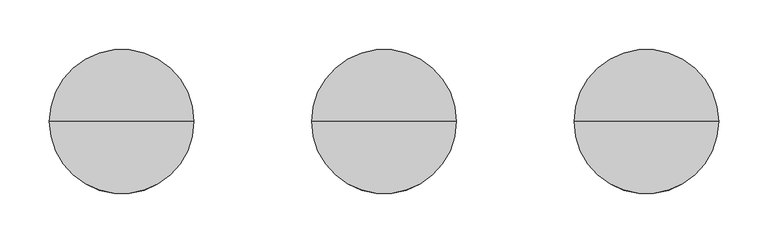
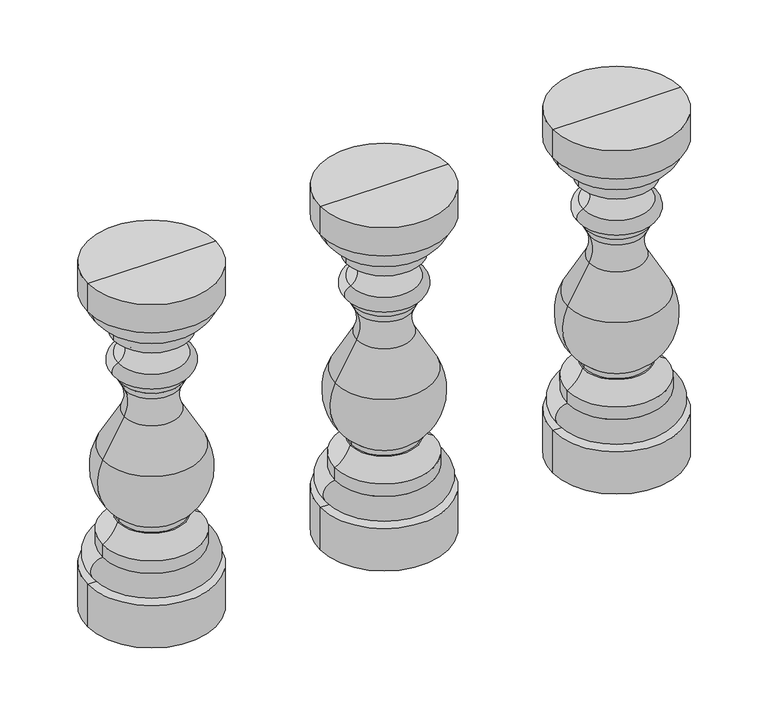
"""IFC4 building model written with IfcOpenShell, lengths in millimetres: railing geometry."""

from ifc_helpers import new_model, si_unit, point, frame, origin, place, context, project, spatial, circle_curve, ellipse_curve, trimmed, source, transform, mapped, element, save
from ifc_brep_helpers import plane_surface, cylinder_surface, revolved_surface, advanced_brep


def railing_55b9bd1f(model_context):
    return source(origin(), model_context, "Body", "AdvancedBrep", [
        advanced_brep(
        [(2557.8785425, 3424.831309, 231.0), (2411.8785425, 3424.831309, 231.0), (2411.8785425, 3424.831309, 180.0), (2557.8785425, 3424.831309, 180.0), (2540.8785431, 3424.831309, 231.0), (2428.8785419, 3424.831309, 231.0), (2540.8785431, 3424.831309, 258.0), (2428.8785419, 3424.831309, 258.0), (2540.8785431, 3424.831309, 273.0), (2428.8785419, 3424.831309, 273.0), (2523.5347925, 3424.831309, 294.0), (2446.2222925, 3424.831309, 294.0), (2521.8785425, 3424.831309, 294.0), (2447.8785425, 3424.831309, 294.0), (2521.8785425, 3424.831309, 300.0), (2447.8785425, 3424.831309, 300.0), (2540.5049615, 3424.831309, 374.706486), (2429.2521236, 3424.831309, 374.706486), (2516.0972925, 3424.831309, 418.453125), (2453.6597925, 3424.831309, 418.453125), (2514.98863, 3424.831309, 450.2010664), (2454.7684551, 3424.831309, 450.2010664), (2520.0269971, 3424.831309, 460.53125), (2449.7300879, 3424.831309, 460.53125), (2520.0269971, 3424.831309, 469.0), (2449.7300879, 3424.831309, 469.0), (2524.0074488, 3424.831309, 469.0), (2445.7496363, 3424.831309, 469.0), (2523.128077, 3424.831309, 485.7794118), (2446.629008, 3424.831309, 485.7794118), (2527.8785425, 3424.831309, 514.97739), (2441.8785425, 3424.831309, 514.97739), (2527.8785425, 3424.831309, 528.3952726), (2441.8785425, 3424.831309, 528.3952726), (2554.2567406, 3424.831309, 560.0), (2415.5003444, 3424.831309, 560.0), (2557.8785425, 3424.831309, 560.0), (2411.8785425, 3424.831309, 560.0), (2557.8785425, 3424.831309, 594.0), (2411.8785425, 3424.831309, 594.0), (2484.8785425, 3424.831309, 594.0), (2484.8785425, 3424.831309, 180.0)],
        [
            (0, 1, circle_curve(frame((2484.8785425, 3424.831309, 231.0), z_axis=(0.0, 0.0, -1.0), x_axis=(-1.0, 0.0, 0.0)), 73.0)),
            (1, 2),
            (2, 3, circle_curve(frame((2484.8785425, 3424.831309, 180.0), z_axis=(0.0, 0.0, 1.0), x_axis=(-1.0, 0.0, 0.0)), 73.0)),
            (3, 0),
            (1, 0, circle_curve(frame((2484.8785425, 3424.831309, 231.0), z_axis=(0.0, 0.0, -1.0), x_axis=(-1.0, 0.0, 0.0)), 73.0)),
            (3, 2, circle_curve(frame((2484.8785425, 3424.831309, 180.0), z_axis=(0.0, 0.0, 1.0), x_axis=(-1.0, 0.0, 0.0)), 73.0)),
            (4, 5, circle_curve(frame((2484.8785425, 3424.831309, 231.0), z_axis=(0.0, 0.0, -1.0), x_axis=(-1.0, 0.0, 0.0)), 56.0000006)),
            (5, 1),
            (0, 4),
            (5, 4, circle_curve(frame((2484.8785425, 3424.831309, 231.0), z_axis=(0.0, 0.0, -1.0), x_axis=(-1.0, 0.0, 0.0)), 56.0000006)),
            (6, 7, circle_curve(frame((2484.8785425, 3424.831309, 258.0), z_axis=(0.0, 0.0, -1.0), x_axis=(-1.0, 0.0, 0.0)), 56.0000006)),
            (7, 5, circle_curve(frame((2428.8785419, 3424.831309, 244.5), z_axis=(0.0, -1.0, 0.0), x_axis=(-1.0, 0.0, 0.0)), 13.5)),
            (4, 6, circle_curve(frame((2540.8785431, 3424.831309, 244.5), z_axis=(0.0, -1.0, 0.0), x_axis=(1.0, 0.0, 0.0)), 13.5)),
            (7, 6, circle_curve(frame((2484.8785425, 3424.831309, 258.0), z_axis=(0.0, 0.0, -1.0), x_axis=(-1.0, 0.0, 0.0)), 56.0000006)),
            (8, 9, circle_curve(frame((2484.8785425, 3424.831309, 273.0), z_axis=(0.0, 0.0, -1.0), x_axis=(-1.0, 0.0, 0.0)), 56.0000006)),
            (9, 7),
            (6, 8),
            (9, 8, circle_curve(frame((2484.8785425, 3424.831309, 273.0), z_axis=(0.0, 0.0, -1.0), x_axis=(-1.0, 0.0, 0.0)), 56.0000006)),
            (10, 11, circle_curve(frame((2484.8785425, 3424.831309, 294.0), z_axis=(0.0, 0.0, -1.0), x_axis=(-1.0, 0.0, 0.0)), 38.65625)),
            (11, 9, circle_curve(frame((2410.930206, 3424.831309, 305.485443), z_axis=(0.0, 1.0, 0.0), x_axis=(-1.0, 0.0, 0.0)), 37.11397)),
            (8, 10, circle_curve(frame((2558.826879, 3424.831309, 305.485443), z_axis=(0.0, 1.0, 0.0), x_axis=(1.0, 0.0, 0.0)), 37.11397)),
            (11, 10, circle_curve(frame((2484.8785425, 3424.831309, 294.0), z_axis=(0.0, 0.0, -1.0), x_axis=(-1.0, 0.0, 0.0)), 38.65625)),
            (12, 13, circle_curve(frame((2484.8785425, 3424.831309, 294.0), z_axis=(0.0, 0.0, -1.0), x_axis=(-1.0, 0.0, 0.0)), 37.0)),
            (13, 11),
            (10, 12),
            (13, 12, circle_curve(frame((2484.8785425, 3424.831309, 294.0), z_axis=(0.0, 0.0, -1.0), x_axis=(-1.0, 0.0, 0.0)), 37.0)),
            (14, 15, circle_curve(frame((2484.8785425, 3424.831309, 300.0), z_axis=(0.0, 0.0, -1.0), x_axis=(-1.0, 0.0, 0.0)), 37.0)),
            (15, 13),
            (12, 14),
            (15, 14, circle_curve(frame((2484.8785425, 3424.831309, 300.0), z_axis=(0.0, 0.0, -1.0), x_axis=(-1.0, 0.0, 0.0)), 37.0)),
            (16, 17, circle_curve(frame((2484.8785425, 3424.831309, 374.706486), z_axis=(0.0, 0.0, -1.0), x_axis=(-1.0, 0.0, 0.0)), 55.6264189)),
            (17, 15, circle_curve(frame((2483.1480187, 3424.831309, 348.468955), z_axis=(0.0, -1.0, 0.0), x_axis=(-1.0, 0.0, 0.0)), 59.9431026)),
            (14, 16, circle_curve(frame((2486.6090663, 3424.831309, 348.468955), z_axis=(0.0, -1.0, 0.0), x_axis=(1.0, 0.0, 0.0)), 59.9431026)),
            (17, 16, circle_curve(frame((2484.8785425, 3424.831309, 374.706486), z_axis=(0.0, 0.0, -1.0), x_axis=(-1.0, 0.0, 0.0)), 55.6264189)),
            (18, 19, circle_curve(frame((2484.8785425, 3424.831309, 418.453125), z_axis=(0.0, 0.0, -1.0), x_axis=(-1.0, 0.0, 0.0)), 31.21875)),
            (19, 17, circle_curve(frame((2832.5812974, 3424.831309, 178.3582915), z_axis=(0.0, -1.0, 0.0), x_axis=(-1.0, 0.0, 0.0)), 448.5833656)),
            (16, 18, circle_curve(frame((2137.1757876, 3424.831309, 178.3582915), z_axis=(0.0, -1.0, 0.0), x_axis=(1.0, 0.0, 0.0)), 448.5833656)),
            (19, 18, circle_curve(frame((2484.8785425, 3424.831309, 418.453125), z_axis=(0.0, 0.0, -1.0), x_axis=(-1.0, 0.0, 0.0)), 31.21875)),
            (20, 21, circle_curve(frame((2484.8785425, 3424.831309, 450.2010664), z_axis=(0.0, 0.0, -1.0), x_axis=(-1.0, 0.0, 0.0)), 30.1100875)),
            (21, 19, circle_curve(frame((2420.3434516, 3424.831309, 435.5098857), z_axis=(0.0, 1.0, 0.0), x_axis=(-1.0, 0.0, 0.0)), 37.4287544)),
            (18, 20, circle_curve(frame((2549.4136335, 3424.831309, 435.5098857), z_axis=(0.0, 1.0, 0.0), x_axis=(1.0, 0.0, 0.0)), 37.4287544)),
            (21, 20, circle_curve(frame((2484.8785425, 3424.831309, 450.2010664), z_axis=(0.0, 0.0, -1.0), x_axis=(-1.0, 0.0, 0.0)), 30.1100875)),
            (22, 23, circle_curve(frame((2484.8785425, 3424.831309, 460.53125), z_axis=(0.0, 0.0, -1.0), x_axis=(-1.0, 0.0, 0.0)), 35.1484546)),
            (23, 21, circle_curve(frame((2349.9069564, 3424.831309, 405.450476), z_axis=(0.0, 1.0, 0.0), x_axis=(-1.0, 0.0, 0.0)), 114.0111803)),
            (20, 22, circle_curve(frame((2619.8501286, 3424.831309, 405.450476), z_axis=(0.0, 1.0, 0.0), x_axis=(1.0, 0.0, 0.0)), 114.0111803)),
            (23, 22, circle_curve(frame((2484.8785425, 3424.831309, 460.53125), z_axis=(0.0, 0.0, -1.0), x_axis=(-1.0, 0.0, 0.0)), 35.1484546)),
            (24, 25, circle_curve(frame((2484.8785425, 3424.831309, 469.0), z_axis=(0.0, 0.0, -1.0), x_axis=(-1.0, 0.0, 0.0)), 35.1484546)),
            (25, 23),
            (22, 24),
            (25, 24, circle_curve(frame((2484.8785425, 3424.831309, 469.0), z_axis=(0.0, 0.0, -1.0), x_axis=(-1.0, 0.0, 0.0)), 35.1484546)),
            (26, 27, circle_curve(frame((2484.8785425, 3424.831309, 469.0), z_axis=(0.0, 0.0, -1.0), x_axis=(-1.0, 0.0, 0.0)), 39.1289062)),
            (27, 25),
            (24, 26),
            (27, 26, circle_curve(frame((2484.8785425, 3424.831309, 469.0), z_axis=(0.0, 0.0, -1.0), x_axis=(-1.0, 0.0, 0.0)), 39.1289062)),
            (28, 29, circle_curve(frame((2484.8785425, 3424.831309, 485.7794118), z_axis=(0.0, 0.0, -1.0), x_axis=(-1.0, 0.0, 0.0)), 38.2495345)),
            (29, 27, circle_curve(frame((2448.4362434, 3424.831309, 477.2719498), z_axis=(0.0, -1.0, 0.0), x_axis=(-1.0, 0.0, 0.0)), 8.6972991)),
            (26, 28, circle_curve(frame((2521.3208416, 3424.831309, 477.2719498), z_axis=(0.0, -1.0, 0.0), x_axis=(1.0, 0.0, 0.0)), 8.6972991)),
            (29, 28, circle_curve(frame((2484.8785425, 3424.831309, 485.7794118), z_axis=(0.0, 0.0, -1.0), x_axis=(-1.0, 0.0, 0.0)), 38.2495345)),
            (30, 31, circle_curve(frame((2484.8785425, 3424.831309, 514.97739), z_axis=(0.0, 0.0, -1.0), x_axis=(-1.0, 0.0, 0.0)), 43.0)),
            (31, 29, circle_curve(frame((2439.0593969, 3424.831309, 499.5332837), z_axis=(0.0, 1.0, 0.0), x_axis=(-1.0, 0.0, 0.0)), 15.6992994)),
            (28, 30, circle_curve(frame((2530.6976881, 3424.831309, 499.5332837), z_axis=(0.0, 1.0, 0.0), x_axis=(1.0, 0.0, 0.0)), 15.6992994)),
            (31, 30, circle_curve(frame((2484.8785425, 3424.831309, 514.97739), z_axis=(0.0, 0.0, -1.0), x_axis=(-1.0, 0.0, 0.0)), 43.0)),
            (32, 33, circle_curve(frame((2484.8785425, 3424.831309, 528.3952726), z_axis=(0.0, 0.0, -1.0), x_axis=(-1.0, 0.0, 0.0)), 43.0)),
            (33, 31),
            (30, 32),
            (33, 32, circle_curve(frame((2484.8785425, 3424.831309, 528.3952726), z_axis=(0.0, 0.0, -1.0), x_axis=(-1.0, 0.0, 0.0)), 43.0)),
            (34, 35, circle_curve(frame((2484.8785425, 3424.831309, 560.0), z_axis=(0.0, 0.0, -1.0), x_axis=(-1.0, 0.0, 0.0)), 69.3781981)),
            (35, 33, circle_curve(frame((2452.437687, 3424.831309, 564.0185912), z_axis=(0.0, -1.0, 0.0), x_axis=(-1.0, 0.0, 0.0)), 37.1553005)),
            (32, 34, circle_curve(frame((2517.319398, 3424.831309, 564.0185912), z_axis=(0.0, -1.0, 0.0), x_axis=(1.0, 0.0, 0.0)), 37.1553005)),
            (35, 34, circle_curve(frame((2484.8785425, 3424.831309, 560.0), z_axis=(0.0, 0.0, -1.0), x_axis=(-1.0, 0.0, 0.0)), 69.3781981)),
            (36, 37, circle_curve(frame((2484.8785425, 3424.831309, 560.0), z_axis=(0.0, 0.0, -1.0), x_axis=(-1.0, 0.0, 0.0)), 73.0)),
            (37, 35),
            (34, 36),
            (37, 36, circle_curve(frame((2484.8785425, 3424.831309, 560.0), z_axis=(0.0, 0.0, -1.0), x_axis=(-1.0, 0.0, 0.0)), 73.0)),
            (38, 39, circle_curve(frame((2484.8785425, 3424.831309, 594.0), z_axis=(0.0, 0.0, -1.0), x_axis=(-1.0, 0.0, 0.0)), 73.0)),
            (39, 37),
            (36, 38),
            (39, 38, circle_curve(frame((2484.8785425, 3424.831309, 594.0), z_axis=(0.0, 0.0, -1.0), x_axis=(-1.0, 0.0, 0.0)), 73.0)),
            (40, 39),
            (38, 40),
            (2, 41),
            (41, 3),
        ],
        [
            cylinder_surface(frame((2484.8785425, 3424.831309, 634.0), z_axis=(0.0, 0.0, 1.0), x_axis=(-1.0, 0.0, 0.0)), 73.0),
            plane_surface(frame((2484.8785425, 3424.831309, 231.0), z_axis=(0.0, 0.0, 1.0), x_axis=(-1.0, 0.0, 0.0))),
            revolved_surface(trimmed(ellipse_curve(frame((2428.8785419, 3424.831309, 244.5), z_axis=(0.0, 1.0, 0.0), x_axis=(-1.0, 0.0, 0.0)), 13.5, 13.5), [point((2428.8785419, 3424.831309, 231.0))], [point((2428.8785419, 3424.831309, 258.0))], True, "CARTESIAN"), (2484.8785425, 3424.831309, 634.0), (0.0, 0.0, 1.0)),
            cylinder_surface(frame((2484.8785425, 3424.831309, 634.0), z_axis=(0.0, 0.0, 1.0), x_axis=(-1.0, 0.0, 0.0)), 56.0000006),
            revolved_surface(trimmed(ellipse_curve(frame((2410.930206, 3424.831309, 305.485443), z_axis=(0.0, -1.0, 0.0), x_axis=(-1.0, 0.0, 0.0)), 37.11397, 37.11397), [point((2428.8785419, 3424.831309, 273.0))], [point((2446.2222925, 3424.831309, 294.0))], True, "CARTESIAN"), (2484.8785425, 3424.831309, 634.0), (0.0, 0.0, 1.0)),
            plane_surface(frame((2484.8785425, 3424.831309, 294.0), z_axis=(0.0, 0.0, 1.0), x_axis=(-1.0, 0.0, 0.0))),
            cylinder_surface(frame((2484.8785425, 3424.831309, 634.0), z_axis=(0.0, 0.0, 1.0), x_axis=(-1.0, 0.0, 0.0)), 37.0),
            revolved_surface(trimmed(ellipse_curve(frame((2483.1480187, 3424.831309, 348.468955), z_axis=(0.0, 1.0, 0.0), x_axis=(-1.0, 0.0, 0.0)), 59.9431026, 59.9431026), [point((2447.8785425, 3424.831309, 300.0))], [point((2429.2521236, 3424.831309, 374.706486))], True, "CARTESIAN"), (2484.8785425, 3424.831309, 634.0), (0.0, 0.0, 1.0)),
            revolved_surface(trimmed(ellipse_curve(frame((2832.5812974, 3424.831309, 178.3582915), z_axis=(0.0, 1.0, 0.0), x_axis=(-1.0, 0.0, 0.0)), 448.5833656, 448.5833656), [point((2429.2521236, 3424.831309, 374.706486))], [point((2453.6597925, 3424.831309, 418.453125))], True, "CARTESIAN"), (2484.8785425, 3424.831309, 634.0), (0.0, 0.0, 1.0)),
            revolved_surface(trimmed(ellipse_curve(frame((2420.3434516, 3424.831309, 435.5098857), z_axis=(0.0, -1.0, 0.0), x_axis=(-1.0, 0.0, 0.0)), 37.4287544, 37.4287544), [point((2453.6597925, 3424.831309, 418.453125))], [point((2454.7684551, 3424.831309, 450.2010664))], True, "CARTESIAN"), (2484.8785425, 3424.831309, 634.0), (0.0, 0.0, 1.0)),
            revolved_surface(trimmed(ellipse_curve(frame((2349.9069564, 3424.831309, 405.450476), z_axis=(0.0, -1.0, 0.0), x_axis=(-1.0, 0.0, 0.0)), 114.0111803, 114.0111803), [point((2454.7684551, 3424.831309, 450.2010664))], [point((2449.7300879, 3424.831309, 460.53125))], True, "CARTESIAN"), (2484.8785425, 3424.831309, 634.0), (0.0, 0.0, 1.0)),
            cylinder_surface(frame((2484.8785425, 3424.831309, 634.0), z_axis=(0.0, 0.0, 1.0), x_axis=(-1.0, 0.0, 0.0)), 35.1484546),
            plane_surface(frame((2484.8785425, 3424.831309, 469.0), z_axis=(0.0, 0.0, -1.0), x_axis=(-1.0, 0.0, 0.0))),
            revolved_surface(trimmed(ellipse_curve(frame((2448.4362434, 3424.831309, 477.2719498), z_axis=(0.0, 1.0, 0.0), x_axis=(-1.0, 0.0, 0.0)), 8.6972991, 8.6972991), [point((2445.7496363, 3424.831309, 469.0))], [point((2446.629008, 3424.831309, 485.7794118))], True, "CARTESIAN"), (2484.8785425, 3424.831309, 634.0), (0.0, 0.0, 1.0)),
            revolved_surface(trimmed(ellipse_curve(frame((2439.0593969, 3424.831309, 499.5332837), z_axis=(0.0, -1.0, 0.0), x_axis=(-1.0, 0.0, 0.0)), 15.6992994, 15.6992994), [point((2446.629008, 3424.831309, 485.7794118))], [point((2441.8785425, 3424.831309, 514.97739))], True, "CARTESIAN"), (2484.8785425, 3424.831309, 634.0), (0.0, 0.0, 1.0)),
            cylinder_surface(frame((2484.8785425, 3424.831309, 634.0), z_axis=(0.0, 0.0, 1.0), x_axis=(-1.0, 0.0, 0.0)), 43.0),
            revolved_surface(trimmed(ellipse_curve(frame((2452.437687, 3424.831309, 564.0185912), z_axis=(0.0, 1.0, 0.0), x_axis=(-1.0, 0.0, 0.0)), 37.1553005, 37.1553005), [point((2441.8785425, 3424.831309, 528.3952726))], [point((2415.5003444, 3424.831309, 560.0))], True, "CARTESIAN"), (2484.8785425, 3424.831309, 634.0), (0.0, 0.0, 1.0)),
            plane_surface(frame((2484.8785425, 3424.831309, 560.0), z_axis=(0.0, 0.0, -1.0), x_axis=(-1.0, 0.0, 0.0))),
            plane_surface(frame((2484.8785425, 3424.831309, 594.0), z_axis=(0.0, 0.0, 1.0), x_axis=(-1.0, 0.0, 0.0))),
            plane_surface(frame((2484.8785425, 3424.831309, 180.0), z_axis=(0.0, 0.0, -1.0), x_axis=(-1.0, 0.0, 0.0))),
        ],
        [
            (0, [[1, 2, 3, 4]]),
            (0, [[5, -4, 6, -2]]),
            (1, [[7, 8, -1, 9]]),
            (1, [[10, -9, -5, -8]]),
            (2, [[11, 12, -7, 13]]),
            (2, [[14, -13, -10, -12]]),
            (3, [[15, 16, -11, 17]]),
            (3, [[18, -17, -14, -16]]),
            (4, [[19, 20, -15, 21]]),
            (4, [[22, -21, -18, -20]]),
            (5, [[23, 24, -19, 25]]),
            (5, [[26, -25, -22, -24]]),
            (6, [[27, 28, -23, 29]]),
            (6, [[30, -29, -26, -28]]),
            (7, [[31, 32, -27, 33]]),
            (7, [[34, -33, -30, -32]]),
            (8, [[35, 36, -31, 37]]),
            (8, [[38, -37, -34, -36]]),
            (9, [[39, 40, -35, 41]]),
            (9, [[42, -41, -38, -40]]),
            (10, [[43, 44, -39, 45]]),
            (10, [[46, -45, -42, -44]]),
            (11, [[47, 48, -43, 49]]),
            (11, [[50, -49, -46, -48]]),
            (12, [[51, 52, -47, 53]]),
            (12, [[54, -53, -50, -52]]),
            (13, [[55, 56, -51, 57]]),
            (13, [[58, -57, -54, -56]]),
            (14, [[59, 60, -55, 61]]),
            (14, [[62, -61, -58, -60]]),
            (15, [[63, 64, -59, 65]]),
            (15, [[66, -65, -62, -64]]),
            (16, [[67, 68, -63, 69]]),
            (16, [[70, -69, -66, -68]]),
            (17, [[71, 72, -67, 73]]),
            (17, [[74, -73, -70, -72]]),
            (0, [[75, 76, -71, 77]]),
            (0, [[78, -77, -74, -76]]),
            (18, [[79, -75, 80]]),
            (18, [[-80, -78, -79]]),
            (19, [[-3, 81, 82]]),
            (19, [[-6, -82, -81]]),
        ],
    ),
        advanced_brep(
        [(2292.8785425, 3424.831309, 231.0), (2146.8785425, 3424.831309, 231.0), (2146.8785425, 3424.831309, 180.0), (2292.8785425, 3424.831309, 180.0), (2275.8785431, 3424.831309, 231.0), (2163.8785419, 3424.831309, 231.0), (2275.8785431, 3424.831309, 258.0), (2163.8785419, 3424.831309, 258.0), (2275.8785431, 3424.831309, 273.0), (2163.8785419, 3424.831309, 273.0), (2258.5347925, 3424.831309, 294.0), (2181.2222925, 3424.831309, 294.0), (2256.8785425, 3424.831309, 294.0), (2182.8785425, 3424.831309, 294.0), (2256.8785425, 3424.831309, 300.0), (2182.8785425, 3424.831309, 300.0), (2275.5049615, 3424.831309, 374.706486), (2164.2521236, 3424.831309, 374.706486), (2251.0972925, 3424.831309, 418.453125), (2188.6597925, 3424.831309, 418.453125), (2249.98863, 3424.831309, 450.2010664), (2189.7684551, 3424.831309, 450.2010664), (2255.0269971, 3424.831309, 460.53125), (2184.7300879, 3424.831309, 460.53125), (2255.0269971, 3424.831309, 469.0), (2184.7300879, 3424.831309, 469.0), (2259.0074488, 3424.831309, 469.0), (2180.7496363, 3424.831309, 469.0), (2258.128077, 3424.831309, 485.7794118), (2181.629008, 3424.831309, 485.7794118), (2262.8785425, 3424.831309, 514.97739), (2176.8785425, 3424.831309, 514.97739), (2262.8785425, 3424.831309, 528.3952726), (2176.8785425, 3424.831309, 528.3952726), (2289.2567406, 3424.831309, 560.0), (2150.5003444, 3424.831309, 560.0), (2292.8785425, 3424.831309, 560.0), (2146.8785425, 3424.831309, 560.0), (2292.8785425, 3424.831309, 594.0), (2146.8785425, 3424.831309, 594.0), (2219.8785425, 3424.831309, 594.0), (2219.8785425, 3424.831309, 180.0)],
        [
            (0, 1, circle_curve(frame((2219.8785425, 3424.831309, 231.0), z_axis=(0.0, 0.0, -1.0), x_axis=(-1.0, 0.0, 0.0)), 73.0)),
            (1, 2),
            (2, 3, circle_curve(frame((2219.8785425, 3424.831309, 180.0), z_axis=(0.0, 0.0, 1.0), x_axis=(-1.0, 0.0, 0.0)), 73.0)),
            (3, 0),
            (1, 0, circle_curve(frame((2219.8785425, 3424.831309, 231.0), z_axis=(0.0, 0.0, -1.0), x_axis=(-1.0, 0.0, 0.0)), 73.0)),
            (3, 2, circle_curve(frame((2219.8785425, 3424.831309, 180.0), z_axis=(0.0, 0.0, 1.0), x_axis=(-1.0, 0.0, 0.0)), 73.0)),
            (4, 5, circle_curve(frame((2219.8785425, 3424.831309, 231.0), z_axis=(0.0, 0.0, -1.0), x_axis=(-1.0, 0.0, 0.0)), 56.0000006)),
            (5, 1),
            (0, 4),
            (5, 4, circle_curve(frame((2219.8785425, 3424.831309, 231.0), z_axis=(0.0, 0.0, -1.0), x_axis=(-1.0, 0.0, 0.0)), 56.0000006)),
            (6, 7, circle_curve(frame((2219.8785425, 3424.831309, 258.0), z_axis=(0.0, 0.0, -1.0), x_axis=(-1.0, 0.0, 0.0)), 56.0000006)),
            (7, 5, circle_curve(frame((2163.8785419, 3424.831309, 244.5), z_axis=(0.0, -1.0, 0.0), x_axis=(-1.0, 0.0, 0.0)), 13.5)),
            (4, 6, circle_curve(frame((2275.8785431, 3424.831309, 244.5), z_axis=(0.0, -1.0, 0.0), x_axis=(1.0, 0.0, 0.0)), 13.5)),
            (7, 6, circle_curve(frame((2219.8785425, 3424.831309, 258.0), z_axis=(0.0, 0.0, -1.0), x_axis=(-1.0, 0.0, 0.0)), 56.0000006)),
            (8, 9, circle_curve(frame((2219.8785425, 3424.831309, 273.0), z_axis=(0.0, 0.0, -1.0), x_axis=(-1.0, 0.0, 0.0)), 56.0000006)),
            (9, 7),
            (6, 8),
            (9, 8, circle_curve(frame((2219.8785425, 3424.831309, 273.0), z_axis=(0.0, 0.0, -1.0), x_axis=(-1.0, 0.0, 0.0)), 56.0000006)),
            (10, 11, circle_curve(frame((2219.8785425, 3424.831309, 294.0), z_axis=(0.0, 0.0, -1.0), x_axis=(-1.0, 0.0, 0.0)), 38.65625)),
            (11, 9, circle_curve(frame((2145.930206, 3424.831309, 305.485443), z_axis=(0.0, 1.0, 0.0), x_axis=(-1.0, 0.0, 0.0)), 37.11397)),
            (8, 10, circle_curve(frame((2293.826879, 3424.831309, 305.485443), z_axis=(0.0, 1.0, 0.0), x_axis=(1.0, 0.0, 0.0)), 37.11397)),
            (11, 10, circle_curve(frame((2219.8785425, 3424.831309, 294.0), z_axis=(0.0, 0.0, -1.0), x_axis=(-1.0, 0.0, 0.0)), 38.65625)),
            (12, 13, circle_curve(frame((2219.8785425, 3424.831309, 294.0), z_axis=(0.0, 0.0, -1.0), x_axis=(-1.0, 0.0, 0.0)), 37.0)),
            (13, 11),
            (10, 12),
            (13, 12, circle_curve(frame((2219.8785425, 3424.831309, 294.0), z_axis=(0.0, 0.0, -1.0), x_axis=(-1.0, 0.0, 0.0)), 37.0)),
            (14, 15, circle_curve(frame((2219.8785425, 3424.831309, 300.0), z_axis=(0.0, 0.0, -1.0), x_axis=(-1.0, 0.0, 0.0)), 37.0)),
            (15, 13),
            (12, 14),
            (15, 14, circle_curve(frame((2219.8785425, 3424.831309, 300.0), z_axis=(0.0, 0.0, -1.0), x_axis=(-1.0, 0.0, 0.0)), 37.0)),
            (16, 17, circle_curve(frame((2219.8785425, 3424.831309, 374.706486), z_axis=(0.0, 0.0, -1.0), x_axis=(-1.0, 0.0, 0.0)), 55.6264189)),
            (17, 15, circle_curve(frame((2218.1480187, 3424.831309, 348.468955), z_axis=(0.0, -1.0, 0.0), x_axis=(-1.0, 0.0, 0.0)), 59.9431026)),
            (14, 16, circle_curve(frame((2221.6090663, 3424.831309, 348.468955), z_axis=(0.0, -1.0, 0.0), x_axis=(1.0, 0.0, 0.0)), 59.9431026)),
            (17, 16, circle_curve(frame((2219.8785425, 3424.831309, 374.706486), z_axis=(0.0, 0.0, -1.0), x_axis=(-1.0, 0.0, 0.0)), 55.6264189)),
            (18, 19, circle_curve(frame((2219.8785425, 3424.831309, 418.453125), z_axis=(0.0, 0.0, -1.0), x_axis=(-1.0, 0.0, 0.0)), 31.21875)),
            (19, 17, circle_curve(frame((2567.5812974, 3424.831309, 178.3582915), z_axis=(0.0, -1.0, 0.0), x_axis=(-1.0, 0.0, 0.0)), 448.5833656)),
            (16, 18, circle_curve(frame((1872.1757876, 3424.831309, 178.3582915), z_axis=(0.0, -1.0, 0.0), x_axis=(1.0, 0.0, 0.0)), 448.5833656)),
            (19, 18, circle_curve(frame((2219.8785425, 3424.831309, 418.453125), z_axis=(0.0, 0.0, -1.0), x_axis=(-1.0, 0.0, 0.0)), 31.21875)),
            (20, 21, circle_curve(frame((2219.8785425, 3424.831309, 450.2010664), z_axis=(0.0, 0.0, -1.0), x_axis=(-1.0, 0.0, 0.0)), 30.1100875)),
            (21, 19, circle_curve(frame((2155.3434516, 3424.831309, 435.5098857), z_axis=(0.0, 1.0, 0.0), x_axis=(-1.0, 0.0, 0.0)), 37.4287544)),
            (18, 20, circle_curve(frame((2284.4136335, 3424.831309, 435.5098857), z_axis=(0.0, 1.0, 0.0), x_axis=(1.0, 0.0, 0.0)), 37.4287544)),
            (21, 20, circle_curve(frame((2219.8785425, 3424.831309, 450.2010664), z_axis=(0.0, 0.0, -1.0), x_axis=(-1.0, 0.0, 0.0)), 30.1100875)),
            (22, 23, circle_curve(frame((2219.8785425, 3424.831309, 460.53125), z_axis=(0.0, 0.0, -1.0), x_axis=(-1.0, 0.0, 0.0)), 35.1484546)),
            (23, 21, circle_curve(frame((2084.9069564, 3424.831309, 405.450476), z_axis=(0.0, 1.0, 0.0), x_axis=(-1.0, 0.0, 0.0)), 114.0111803)),
            (20, 22, circle_curve(frame((2354.8501286, 3424.831309, 405.450476), z_axis=(0.0, 1.0, 0.0), x_axis=(1.0, 0.0, 0.0)), 114.0111803)),
            (23, 22, circle_curve(frame((2219.8785425, 3424.831309, 460.53125), z_axis=(0.0, 0.0, -1.0), x_axis=(-1.0, 0.0, 0.0)), 35.1484546)),
            (24, 25, circle_curve(frame((2219.8785425, 3424.831309, 469.0), z_axis=(0.0, 0.0, -1.0), x_axis=(-1.0, 0.0, 0.0)), 35.1484546)),
            (25, 23),
            (22, 24),
            (25, 24, circle_curve(frame((2219.8785425, 3424.831309, 469.0), z_axis=(0.0, 0.0, -1.0), x_axis=(-1.0, 0.0, 0.0)), 35.1484546)),
            (26, 27, circle_curve(frame((2219.8785425, 3424.831309, 469.0), z_axis=(0.0, 0.0, -1.0), x_axis=(-1.0, 0.0, 0.0)), 39.1289062)),
            (27, 25),
            (24, 26),
            (27, 26, circle_curve(frame((2219.8785425, 3424.831309, 469.0), z_axis=(0.0, 0.0, -1.0), x_axis=(-1.0, 0.0, 0.0)), 39.1289062)),
            (28, 29, circle_curve(frame((2219.8785425, 3424.831309, 485.7794118), z_axis=(0.0, 0.0, -1.0), x_axis=(-1.0, 0.0, 0.0)), 38.2495345)),
            (29, 27, circle_curve(frame((2183.4362434, 3424.831309, 477.2719498), z_axis=(0.0, -1.0, 0.0), x_axis=(-1.0, 0.0, 0.0)), 8.6972991)),
            (26, 28, circle_curve(frame((2256.3208416, 3424.831309, 477.2719498), z_axis=(0.0, -1.0, 0.0), x_axis=(1.0, 0.0, 0.0)), 8.6972991)),
            (29, 28, circle_curve(frame((2219.8785425, 3424.831309, 485.7794118), z_axis=(0.0, 0.0, -1.0), x_axis=(-1.0, 0.0, 0.0)), 38.2495345)),
            (30, 31, circle_curve(frame((2219.8785425, 3424.831309, 514.97739), z_axis=(0.0, 0.0, -1.0), x_axis=(-1.0, 0.0, 0.0)), 43.0)),
            (31, 29, circle_curve(frame((2174.0593969, 3424.831309, 499.5332837), z_axis=(0.0, 1.0, 0.0), x_axis=(-1.0, 0.0, 0.0)), 15.6992994)),
            (28, 30, circle_curve(frame((2265.6976881, 3424.831309, 499.5332837), z_axis=(0.0, 1.0, 0.0), x_axis=(1.0, 0.0, 0.0)), 15.6992994)),
            (31, 30, circle_curve(frame((2219.8785425, 3424.831309, 514.97739), z_axis=(0.0, 0.0, -1.0), x_axis=(-1.0, 0.0, 0.0)), 43.0)),
            (32, 33, circle_curve(frame((2219.8785425, 3424.831309, 528.3952726), z_axis=(0.0, 0.0, -1.0), x_axis=(-1.0, 0.0, 0.0)), 43.0)),
            (33, 31),
            (30, 32),
            (33, 32, circle_curve(frame((2219.8785425, 3424.831309, 528.3952726), z_axis=(0.0, 0.0, -1.0), x_axis=(-1.0, 0.0, 0.0)), 43.0)),
            (34, 35, circle_curve(frame((2219.8785425, 3424.831309, 560.0), z_axis=(0.0, 0.0, -1.0), x_axis=(-1.0, 0.0, 0.0)), 69.3781981)),
            (35, 33, circle_curve(frame((2187.437687, 3424.831309, 564.0185912), z_axis=(0.0, -1.0, 0.0), x_axis=(-1.0, 0.0, 0.0)), 37.1553005)),
            (32, 34, circle_curve(frame((2252.319398, 3424.831309, 564.0185912), z_axis=(0.0, -1.0, 0.0), x_axis=(1.0, 0.0, 0.0)), 37.1553005)),
            (35, 34, circle_curve(frame((2219.8785425, 3424.831309, 560.0), z_axis=(0.0, 0.0, -1.0), x_axis=(-1.0, 0.0, 0.0)), 69.3781981)),
            (36, 37, circle_curve(frame((2219.8785425, 3424.831309, 560.0), z_axis=(0.0, 0.0, -1.0), x_axis=(-1.0, 0.0, 0.0)), 73.0)),
            (37, 35),
            (34, 36),
            (37, 36, circle_curve(frame((2219.8785425, 3424.831309, 560.0), z_axis=(0.0, 0.0, -1.0), x_axis=(-1.0, 0.0, 0.0)), 73.0)),
            (38, 39, circle_curve(frame((2219.8785425, 3424.831309, 594.0), z_axis=(0.0, 0.0, -1.0), x_axis=(-1.0, 0.0, 0.0)), 73.0)),
            (39, 37),
            (36, 38),
            (39, 38, circle_curve(frame((2219.8785425, 3424.831309, 594.0), z_axis=(0.0, 0.0, -1.0), x_axis=(-1.0, 0.0, 0.0)), 73.0)),
            (40, 39),
            (38, 40),
            (2, 41),
            (41, 3),
        ],
        [
            cylinder_surface(frame((2219.8785425, 3424.831309, 634.0), z_axis=(0.0, 0.0, 1.0), x_axis=(-1.0, 0.0, 0.0)), 73.0),
            plane_surface(frame((2219.8785425, 3424.831309, 231.0), z_axis=(0.0, 0.0, 1.0), x_axis=(-1.0, 0.0, 0.0))),
            revolved_surface(trimmed(ellipse_curve(frame((2163.8785419, 3424.831309, 244.5), z_axis=(0.0, 1.0, 0.0), x_axis=(-1.0, 0.0, 0.0)), 13.5, 13.5), [point((2163.8785419, 3424.831309, 231.0))], [point((2163.8785419, 3424.831309, 258.0))], True, "CARTESIAN"), (2219.8785425, 3424.831309, 634.0), (0.0, 0.0, 1.0)),
            cylinder_surface(frame((2219.8785425, 3424.831309, 634.0), z_axis=(0.0, 0.0, 1.0), x_axis=(-1.0, 0.0, 0.0)), 56.0000006),
            revolved_surface(trimmed(ellipse_curve(frame((2145.930206, 3424.831309, 305.485443), z_axis=(0.0, -1.0, 0.0), x_axis=(-1.0, 0.0, 0.0)), 37.11397, 37.11397), [point((2163.8785419, 3424.831309, 273.0))], [point((2181.2222925, 3424.831309, 294.0))], True, "CARTESIAN"), (2219.8785425, 3424.831309, 634.0), (0.0, 0.0, 1.0)),
            plane_surface(frame((2219.8785425, 3424.831309, 294.0), z_axis=(0.0, 0.0, 1.0), x_axis=(-1.0, 0.0, 0.0))),
            cylinder_surface(frame((2219.8785425, 3424.831309, 634.0), z_axis=(0.0, 0.0, 1.0), x_axis=(-1.0, 0.0, 0.0)), 37.0),
            revolved_surface(trimmed(ellipse_curve(frame((2218.1480187, 3424.831309, 348.468955), z_axis=(0.0, 1.0, 0.0), x_axis=(-1.0, 0.0, 0.0)), 59.9431026, 59.9431026), [point((2182.8785425, 3424.831309, 300.0))], [point((2164.2521236, 3424.831309, 374.706486))], True, "CARTESIAN"), (2219.8785425, 3424.831309, 634.0), (0.0, 0.0, 1.0)),
            revolved_surface(trimmed(ellipse_curve(frame((2567.5812974, 3424.831309, 178.3582915), z_axis=(0.0, 1.0, 0.0), x_axis=(-1.0, 0.0, 0.0)), 448.5833656, 448.5833656), [point((2164.2521236, 3424.831309, 374.706486))], [point((2188.6597925, 3424.831309, 418.453125))], True, "CARTESIAN"), (2219.8785425, 3424.831309, 634.0), (0.0, 0.0, 1.0)),
            revolved_surface(trimmed(ellipse_curve(frame((2155.3434516, 3424.831309, 435.5098857), z_axis=(0.0, -1.0, 0.0), x_axis=(-1.0, 0.0, 0.0)), 37.4287544, 37.4287544), [point((2188.6597925, 3424.831309, 418.453125))], [point((2189.7684551, 3424.831309, 450.2010664))], True, "CARTESIAN"), (2219.8785425, 3424.831309, 634.0), (0.0, 0.0, 1.0)),
            revolved_surface(trimmed(ellipse_curve(frame((2084.9069564, 3424.831309, 405.450476), z_axis=(0.0, -1.0, 0.0), x_axis=(-1.0, 0.0, 0.0)), 114.0111803, 114.0111803), [point((2189.7684551, 3424.831309, 450.2010664))], [point((2184.7300879, 3424.831309, 460.53125))], True, "CARTESIAN"), (2219.8785425, 3424.831309, 634.0), (0.0, 0.0, 1.0)),
            cylinder_surface(frame((2219.8785425, 3424.831309, 634.0), z_axis=(0.0, 0.0, 1.0), x_axis=(-1.0, 0.0, 0.0)), 35.1484546),
            plane_surface(frame((2219.8785425, 3424.831309, 469.0), z_axis=(0.0, 0.0, -1.0), x_axis=(-1.0, 0.0, 0.0))),
            revolved_surface(trimmed(ellipse_curve(frame((2183.4362434, 3424.831309, 477.2719498), z_axis=(0.0, 1.0, 0.0), x_axis=(-1.0, 0.0, 0.0)), 8.6972991, 8.6972991), [point((2180.7496363, 3424.831309, 469.0))], [point((2181.629008, 3424.831309, 485.7794118))], True, "CARTESIAN"), (2219.8785425, 3424.831309, 634.0), (0.0, 0.0, 1.0)),
            revolved_surface(trimmed(ellipse_curve(frame((2174.0593969, 3424.831309, 499.5332837), z_axis=(0.0, -1.0, 0.0), x_axis=(-1.0, 0.0, 0.0)), 15.6992994, 15.6992994), [point((2181.629008, 3424.831309, 485.7794118))], [point((2176.8785425, 3424.831309, 514.97739))], True, "CARTESIAN"), (2219.8785425, 3424.831309, 634.0), (0.0, 0.0, 1.0)),
            cylinder_surface(frame((2219.8785425, 3424.831309, 634.0), z_axis=(0.0, 0.0, 1.0), x_axis=(-1.0, 0.0, 0.0)), 43.0),
            revolved_surface(trimmed(ellipse_curve(frame((2187.437687, 3424.831309, 564.0185912), z_axis=(0.0, 1.0, 0.0), x_axis=(-1.0, 0.0, 0.0)), 37.1553005, 37.1553005), [point((2176.8785425, 3424.831309, 528.3952726))], [point((2150.5003444, 3424.831309, 560.0))], True, "CARTESIAN"), (2219.8785425, 3424.831309, 634.0), (0.0, 0.0, 1.0)),
            plane_surface(frame((2219.8785425, 3424.831309, 560.0), z_axis=(0.0, 0.0, -1.0), x_axis=(-1.0, 0.0, 0.0))),
            plane_surface(frame((2219.8785425, 3424.831309, 594.0), z_axis=(0.0, 0.0, 1.0), x_axis=(-1.0, 0.0, 0.0))),
            plane_surface(frame((2219.8785425, 3424.831309, 180.0), z_axis=(0.0, 0.0, -1.0), x_axis=(-1.0, 0.0, 0.0))),
        ],
        [
            (0, [[1, 2, 3, 4]]),
            (0, [[5, -4, 6, -2]]),
            (1, [[7, 8, -1, 9]]),
            (1, [[10, -9, -5, -8]]),
            (2, [[11, 12, -7, 13]]),
            (2, [[14, -13, -10, -12]]),
            (3, [[15, 16, -11, 17]]),
            (3, [[18, -17, -14, -16]]),
            (4, [[19, 20, -15, 21]]),
            (4, [[22, -21, -18, -20]]),
            (5, [[23, 24, -19, 25]]),
            (5, [[26, -25, -22, -24]]),
            (6, [[27, 28, -23, 29]]),
            (6, [[30, -29, -26, -28]]),
            (7, [[31, 32, -27, 33]]),
            (7, [[34, -33, -30, -32]]),
            (8, [[35, 36, -31, 37]]),
            (8, [[38, -37, -34, -36]]),
            (9, [[39, 40, -35, 41]]),
            (9, [[42, -41, -38, -40]]),
            (10, [[43, 44, -39, 45]]),
            (10, [[46, -45, -42, -44]]),
            (11, [[47, 48, -43, 49]]),
            (11, [[50, -49, -46, -48]]),
            (12, [[51, 52, -47, 53]]),
            (12, [[54, -53, -50, -52]]),
            (13, [[55, 56, -51, 57]]),
            (13, [[58, -57, -54, -56]]),
            (14, [[59, 60, -55, 61]]),
            (14, [[62, -61, -58, -60]]),
            (15, [[63, 64, -59, 65]]),
            (15, [[66, -65, -62, -64]]),
            (16, [[67, 68, -63, 69]]),
            (16, [[70, -69, -66, -68]]),
            (17, [[71, 72, -67, 73]]),
            (17, [[74, -73, -70, -72]]),
            (0, [[75, 76, -71, 77]]),
            (0, [[78, -77, -74, -76]]),
            (18, [[79, -75, 80]]),
            (18, [[-80, -78, -79]]),
            (19, [[-3, 81, 82]]),
            (19, [[-6, -82, -81]]),
        ],
    ),
        advanced_brep(
        [(2027.8785425, 3424.831309, 231.0), (1881.8785425, 3424.831309, 231.0), (1881.8785425, 3424.831309, 180.0), (2027.8785425, 3424.831309, 180.0), (2010.8785431, 3424.831309, 231.0), (1898.8785419, 3424.831309, 231.0), (2010.8785431, 3424.831309, 258.0), (1898.8785419, 3424.831309, 258.0), (2010.8785431, 3424.831309, 273.0), (1898.8785419, 3424.831309, 273.0), (1993.5347925, 3424.831309, 294.0), (1916.2222925, 3424.831309, 294.0), (1991.8785425, 3424.831309, 294.0), (1917.8785425, 3424.831309, 294.0), (1991.8785425, 3424.831309, 300.0), (1917.8785425, 3424.831309, 300.0), (2010.5049615, 3424.831309, 374.706486), (1899.2521236, 3424.831309, 374.706486), (1986.0972925, 3424.831309, 418.453125), (1923.6597925, 3424.831309, 418.453125), (1984.98863, 3424.831309, 450.2010664), (1924.7684551, 3424.831309, 450.2010664), (1990.0269971, 3424.831309, 460.53125), (1919.7300879, 3424.831309, 460.53125), (1990.0269971, 3424.831309, 469.0), (1919.7300879, 3424.831309, 469.0), (1994.0074488, 3424.831309, 469.0), (1915.7496363, 3424.831309, 469.0), (1993.128077, 3424.831309, 485.7794118), (1916.629008, 3424.831309, 485.7794118), (1997.8785425, 3424.831309, 514.97739), (1911.8785425, 3424.831309, 514.97739), (1997.8785425, 3424.831309, 528.3952726), (1911.8785425, 3424.831309, 528.3952726), (2024.2567406, 3424.831309, 560.0), (1885.5003444, 3424.831309, 560.0), (2027.8785425, 3424.831309, 560.0), (1881.8785425, 3424.831309, 560.0), (2027.8785425, 3424.831309, 594.0), (1881.8785425, 3424.831309, 594.0), (1954.8785425, 3424.831309, 594.0), (1954.8785425, 3424.831309, 180.0)],
        [
            (0, 1, circle_curve(frame((1954.8785425, 3424.831309, 231.0), z_axis=(0.0, 0.0, -1.0), x_axis=(-1.0, 0.0, 0.0)), 73.0)),
            (1, 2),
            (2, 3, circle_curve(frame((1954.8785425, 3424.831309, 180.0), z_axis=(0.0, 0.0, 1.0), x_axis=(-1.0, 0.0, 0.0)), 73.0)),
            (3, 0),
            (1, 0, circle_curve(frame((1954.8785425, 3424.831309, 231.0), z_axis=(0.0, 0.0, -1.0), x_axis=(-1.0, 0.0, 0.0)), 73.0)),
            (3, 2, circle_curve(frame((1954.8785425, 3424.831309, 180.0), z_axis=(0.0, 0.0, 1.0), x_axis=(-1.0, 0.0, 0.0)), 73.0)),
            (4, 5, circle_curve(frame((1954.8785425, 3424.831309, 231.0), z_axis=(0.0, 0.0, -1.0), x_axis=(-1.0, 0.0, 0.0)), 56.0000006)),
            (5, 1),
            (0, 4),
            (5, 4, circle_curve(frame((1954.8785425, 3424.831309, 231.0), z_axis=(0.0, 0.0, -1.0), x_axis=(-1.0, 0.0, 0.0)), 56.0000006)),
            (6, 7, circle_curve(frame((1954.8785425, 3424.831309, 258.0), z_axis=(0.0, 0.0, -1.0), x_axis=(-1.0, 0.0, 0.0)), 56.0000006)),
            (7, 5, circle_curve(frame((1898.8785419, 3424.831309, 244.5), z_axis=(0.0, -1.0, 0.0), x_axis=(-1.0, 0.0, 0.0)), 13.5)),
            (4, 6, circle_curve(frame((2010.8785431, 3424.831309, 244.5), z_axis=(0.0, -1.0, 0.0), x_axis=(1.0, 0.0, 0.0)), 13.5)),
            (7, 6, circle_curve(frame((1954.8785425, 3424.831309, 258.0), z_axis=(0.0, 0.0, -1.0), x_axis=(-1.0, 0.0, 0.0)), 56.0000006)),
            (8, 9, circle_curve(frame((1954.8785425, 3424.831309, 273.0), z_axis=(0.0, 0.0, -1.0), x_axis=(-1.0, 0.0, 0.0)), 56.0000006)),
            (9, 7),
            (6, 8),
            (9, 8, circle_curve(frame((1954.8785425, 3424.831309, 273.0), z_axis=(0.0, 0.0, -1.0), x_axis=(-1.0, 0.0, 0.0)), 56.0000006)),
            (10, 11, circle_curve(frame((1954.8785425, 3424.831309, 294.0), z_axis=(0.0, 0.0, -1.0), x_axis=(-1.0, 0.0, 0.0)), 38.65625)),
            (11, 9, circle_curve(frame((1880.930206, 3424.831309, 305.485443), z_axis=(0.0, 1.0, 0.0), x_axis=(-1.0, 0.0, 0.0)), 37.11397)),
            (8, 10, circle_curve(frame((2028.826879, 3424.831309, 305.485443), z_axis=(0.0, 1.0, 0.0), x_axis=(1.0, 0.0, 0.0)), 37.11397)),
            (11, 10, circle_curve(frame((1954.8785425, 3424.831309, 294.0), z_axis=(0.0, 0.0, -1.0), x_axis=(-1.0, 0.0, 0.0)), 38.65625)),
            (12, 13, circle_curve(frame((1954.8785425, 3424.831309, 294.0), z_axis=(0.0, 0.0, -1.0), x_axis=(-1.0, 0.0, 0.0)), 37.0)),
            (13, 11),
            (10, 12),
            (13, 12, circle_curve(frame((1954.8785425, 3424.831309, 294.0), z_axis=(0.0, 0.0, -1.0), x_axis=(-1.0, 0.0, 0.0)), 37.0)),
            (14, 15, circle_curve(frame((1954.8785425, 3424.831309, 300.0), z_axis=(0.0, 0.0, -1.0), x_axis=(-1.0, 0.0, 0.0)), 37.0)),
            (15, 13),
            (12, 14),
            (15, 14, circle_curve(frame((1954.8785425, 3424.831309, 300.0), z_axis=(0.0, 0.0, -1.0), x_axis=(-1.0, 0.0, 0.0)), 37.0)),
            (16, 17, circle_curve(frame((1954.8785425, 3424.831309, 374.706486), z_axis=(0.0, 0.0, -1.0), x_axis=(-1.0, 0.0, 0.0)), 55.6264189)),
            (17, 15, circle_curve(frame((1953.1480187, 3424.831309, 348.468955), z_axis=(0.0, -1.0, 0.0), x_axis=(-1.0, 0.0, 0.0)), 59.9431026)),
            (14, 16, circle_curve(frame((1956.6090663, 3424.831309, 348.468955), z_axis=(0.0, -1.0, 0.0), x_axis=(1.0, 0.0, 0.0)), 59.9431026)),
            (17, 16, circle_curve(frame((1954.8785425, 3424.831309, 374.706486), z_axis=(0.0, 0.0, -1.0), x_axis=(-1.0, 0.0, 0.0)), 55.6264189)),
            (18, 19, circle_curve(frame((1954.8785425, 3424.831309, 418.453125), z_axis=(0.0, 0.0, -1.0), x_axis=(-1.0, 0.0, 0.0)), 31.21875)),
            (19, 17, circle_curve(frame((2302.5812974, 3424.831309, 178.3582915), z_axis=(0.0, -1.0, 0.0), x_axis=(-1.0, 0.0, 0.0)), 448.5833656)),
            (16, 18, circle_curve(frame((1607.1757876, 3424.831309, 178.3582915), z_axis=(0.0, -1.0, 0.0), x_axis=(1.0, 0.0, 0.0)), 448.5833656)),
            (19, 18, circle_curve(frame((1954.8785425, 3424.831309, 418.453125), z_axis=(0.0, 0.0, -1.0), x_axis=(-1.0, 0.0, 0.0)), 31.21875)),
            (20, 21, circle_curve(frame((1954.8785425, 3424.831309, 450.2010664), z_axis=(0.0, 0.0, -1.0), x_axis=(-1.0, 0.0, 0.0)), 30.1100875)),
            (21, 19, circle_curve(frame((1890.3434516, 3424.831309, 435.5098857), z_axis=(0.0, 1.0, 0.0), x_axis=(-1.0, 0.0, 0.0)), 37.4287544)),
            (18, 20, circle_curve(frame((2019.4136335, 3424.831309, 435.5098857), z_axis=(0.0, 1.0, 0.0), x_axis=(1.0, 0.0, 0.0)), 37.4287544)),
            (21, 20, circle_curve(frame((1954.8785425, 3424.831309, 450.2010664), z_axis=(0.0, 0.0, -1.0), x_axis=(-1.0, 0.0, 0.0)), 30.1100875)),
            (22, 23, circle_curve(frame((1954.8785425, 3424.831309, 460.53125), z_axis=(0.0, 0.0, -1.0), x_axis=(-1.0, 0.0, 0.0)), 35.1484546)),
            (23, 21, circle_curve(frame((1819.9069564, 3424.831309, 405.450476), z_axis=(0.0, 1.0, 0.0), x_axis=(-1.0, 0.0, 0.0)), 114.0111803)),
            (20, 22, circle_curve(frame((2089.8501286, 3424.831309, 405.450476), z_axis=(0.0, 1.0, 0.0), x_axis=(1.0, 0.0, 0.0)), 114.0111803)),
            (23, 22, circle_curve(frame((1954.8785425, 3424.831309, 460.53125), z_axis=(0.0, 0.0, -1.0), x_axis=(-1.0, 0.0, 0.0)), 35.1484546)),
            (24, 25, circle_curve(frame((1954.8785425, 3424.831309, 469.0), z_axis=(0.0, 0.0, -1.0), x_axis=(-1.0, 0.0, 0.0)), 35.1484546)),
            (25, 23),
            (22, 24),
            (25, 24, circle_curve(frame((1954.8785425, 3424.831309, 469.0), z_axis=(0.0, 0.0, -1.0), x_axis=(-1.0, 0.0, 0.0)), 35.1484546)),
            (26, 27, circle_curve(frame((1954.8785425, 3424.831309, 469.0), z_axis=(0.0, 0.0, -1.0), x_axis=(-1.0, 0.0, 0.0)), 39.1289062)),
            (27, 25),
            (24, 26),
            (27, 26, circle_curve(frame((1954.8785425, 3424.831309, 469.0), z_axis=(0.0, 0.0, -1.0), x_axis=(-1.0, 0.0, 0.0)), 39.1289062)),
            (28, 29, circle_curve(frame((1954.8785425, 3424.831309, 485.7794118), z_axis=(0.0, 0.0, -1.0), x_axis=(-1.0, 0.0, 0.0)), 38.2495345)),
            (29, 27, circle_curve(frame((1918.4362434, 3424.831309, 477.2719498), z_axis=(0.0, -1.0, 0.0), x_axis=(-1.0, 0.0, 0.0)), 8.6972991)),
            (26, 28, circle_curve(frame((1991.3208416, 3424.831309, 477.2719498), z_axis=(0.0, -1.0, 0.0), x_axis=(1.0, 0.0, 0.0)), 8.6972991)),
            (29, 28, circle_curve(frame((1954.8785425, 3424.831309, 485.7794118), z_axis=(0.0, 0.0, -1.0), x_axis=(-1.0, 0.0, 0.0)), 38.2495345)),
            (30, 31, circle_curve(frame((1954.8785425, 3424.831309, 514.97739), z_axis=(0.0, 0.0, -1.0), x_axis=(-1.0, 0.0, 0.0)), 43.0)),
            (31, 29, circle_curve(frame((1909.0593969, 3424.831309, 499.5332837), z_axis=(0.0, 1.0, 0.0), x_axis=(-1.0, 0.0, 0.0)), 15.6992994)),
            (28, 30, circle_curve(frame((2000.6976881, 3424.831309, 499.5332837), z_axis=(0.0, 1.0, 0.0), x_axis=(1.0, 0.0, 0.0)), 15.6992994)),
            (31, 30, circle_curve(frame((1954.8785425, 3424.831309, 514.97739), z_axis=(0.0, 0.0, -1.0), x_axis=(-1.0, 0.0, 0.0)), 43.0)),
            (32, 33, circle_curve(frame((1954.8785425, 3424.831309, 528.3952726), z_axis=(0.0, 0.0, -1.0), x_axis=(-1.0, 0.0, 0.0)), 43.0)),
            (33, 31),
            (30, 32),
            (33, 32, circle_curve(frame((1954.8785425, 3424.831309, 528.3952726), z_axis=(0.0, 0.0, -1.0), x_axis=(-1.0, 0.0, 0.0)), 43.0)),
            (34, 35, circle_curve(frame((1954.8785425, 3424.831309, 560.0), z_axis=(0.0, 0.0, -1.0), x_axis=(-1.0, 0.0, 0.0)), 69.3781981)),
            (35, 33, circle_curve(frame((1922.437687, 3424.831309, 564.0185912), z_axis=(0.0, -1.0, 0.0), x_axis=(-1.0, 0.0, 0.0)), 37.1553005)),
            (32, 34, circle_curve(frame((1987.319398, 3424.831309, 564.0185912), z_axis=(0.0, -1.0, 0.0), x_axis=(1.0, 0.0, 0.0)), 37.1553005)),
            (35, 34, circle_curve(frame((1954.8785425, 3424.831309, 560.0), z_axis=(0.0, 0.0, -1.0), x_axis=(-1.0, 0.0, 0.0)), 69.3781981)),
            (36, 37, circle_curve(frame((1954.8785425, 3424.831309, 560.0), z_axis=(0.0, 0.0, -1.0), x_axis=(-1.0, 0.0, 0.0)), 73.0)),
            (37, 35),
            (34, 36),
            (37, 36, circle_curve(frame((1954.8785425, 3424.831309, 560.0), z_axis=(0.0, 0.0, -1.0), x_axis=(-1.0, 0.0, 0.0)), 73.0)),
            (38, 39, circle_curve(frame((1954.8785425, 3424.831309, 594.0), z_axis=(0.0, 0.0, -1.0), x_axis=(-1.0, 0.0, 0.0)), 73.0)),
            (39, 37),
            (36, 38),
            (39, 38, circle_curve(frame((1954.8785425, 3424.831309, 594.0), z_axis=(0.0, 0.0, -1.0), x_axis=(-1.0, 0.0, 0.0)), 73.0)),
            (40, 39),
            (38, 40),
            (2, 41),
            (41, 3),
        ],
        [
            cylinder_surface(frame((1954.8785425, 3424.831309, 634.0), z_axis=(0.0, 0.0, 1.0), x_axis=(-1.0, 0.0, 0.0)), 73.0),
            plane_surface(frame((1954.8785425, 3424.831309, 231.0), z_axis=(0.0, 0.0, 1.0), x_axis=(-1.0, 0.0, 0.0))),
            revolved_surface(trimmed(ellipse_curve(frame((1898.8785419, 3424.831309, 244.5), z_axis=(0.0, 1.0, 0.0), x_axis=(-1.0, 0.0, 0.0)), 13.5, 13.5), [point((1898.8785419, 3424.831309, 231.0))], [point((1898.8785419, 3424.831309, 258.0))], True, "CARTESIAN"), (1954.8785425, 3424.831309, 634.0), (0.0, 0.0, 1.0)),
            cylinder_surface(frame((1954.8785425, 3424.831309, 634.0), z_axis=(0.0, 0.0, 1.0), x_axis=(-1.0, 0.0, 0.0)), 56.0000006),
            revolved_surface(trimmed(ellipse_curve(frame((1880.930206, 3424.831309, 305.485443), z_axis=(0.0, -1.0, 0.0), x_axis=(-1.0, 0.0, 0.0)), 37.11397, 37.11397), [point((1898.8785419, 3424.831309, 273.0))], [point((1916.2222925, 3424.831309, 294.0))], True, "CARTESIAN"), (1954.8785425, 3424.831309, 634.0), (0.0, 0.0, 1.0)),
            plane_surface(frame((1954.8785425, 3424.831309, 294.0), z_axis=(0.0, 0.0, 1.0), x_axis=(-1.0, 0.0, 0.0))),
            cylinder_surface(frame((1954.8785425, 3424.831309, 634.0), z_axis=(0.0, 0.0, 1.0), x_axis=(-1.0, 0.0, 0.0)), 37.0),
            revolved_surface(trimmed(ellipse_curve(frame((1953.1480187, 3424.831309, 348.468955), z_axis=(0.0, 1.0, 0.0), x_axis=(-1.0, 0.0, 0.0)), 59.9431026, 59.9431026), [point((1917.8785425, 3424.831309, 300.0))], [point((1899.2521236, 3424.831309, 374.706486))], True, "CARTESIAN"), (1954.8785425, 3424.831309, 634.0), (0.0, 0.0, 1.0)),
            revolved_surface(trimmed(ellipse_curve(frame((2302.5812974, 3424.831309, 178.3582915), z_axis=(0.0, 1.0, 0.0), x_axis=(-1.0, 0.0, 0.0)), 448.5833656, 448.5833656), [point((1899.2521236, 3424.831309, 374.706486))], [point((1923.6597925, 3424.831309, 418.453125))], True, "CARTESIAN"), (1954.8785425, 3424.831309, 634.0), (0.0, 0.0, 1.0)),
            revolved_surface(trimmed(ellipse_curve(frame((1890.3434516, 3424.831309, 435.5098857), z_axis=(0.0, -1.0, 0.0), x_axis=(-1.0, 0.0, 0.0)), 37.4287544, 37.4287544), [point((1923.6597925, 3424.831309, 418.453125))], [point((1924.7684551, 3424.831309, 450.2010664))], True, "CARTESIAN"), (1954.8785425, 3424.831309, 634.0), (0.0, 0.0, 1.0)),
            revolved_surface(trimmed(ellipse_curve(frame((1819.9069564, 3424.831309, 405.450476), z_axis=(0.0, -1.0, 0.0), x_axis=(-1.0, 0.0, 0.0)), 114.0111803, 114.0111803), [point((1924.7684551, 3424.831309, 450.2010664))], [point((1919.7300879, 3424.831309, 460.53125))], True, "CARTESIAN"), (1954.8785425, 3424.831309, 634.0), (0.0, 0.0, 1.0)),
            cylinder_surface(frame((1954.8785425, 3424.831309, 634.0), z_axis=(0.0, 0.0, 1.0), x_axis=(-1.0, 0.0, 0.0)), 35.1484546),
            plane_surface(frame((1954.8785425, 3424.831309, 469.0), z_axis=(0.0, 0.0, -1.0), x_axis=(-1.0, 0.0, 0.0))),
            revolved_surface(trimmed(ellipse_curve(frame((1918.4362434, 3424.831309, 477.2719498), z_axis=(0.0, 1.0, 0.0), x_axis=(-1.0, 0.0, 0.0)), 8.6972991, 8.6972991), [point((1915.7496363, 3424.831309, 469.0))], [point((1916.629008, 3424.831309, 485.7794118))], True, "CARTESIAN"), (1954.8785425, 3424.831309, 634.0), (0.0, 0.0, 1.0)),
            revolved_surface(trimmed(ellipse_curve(frame((1909.0593969, 3424.831309, 499.5332837), z_axis=(0.0, -1.0, 0.0), x_axis=(-1.0, 0.0, 0.0)), 15.6992994, 15.6992994), [point((1916.629008, 3424.831309, 485.7794118))], [point((1911.8785425, 3424.831309, 514.97739))], True, "CARTESIAN"), (1954.8785425, 3424.831309, 634.0), (0.0, 0.0, 1.0)),
            cylinder_surface(frame((1954.8785425, 3424.831309, 634.0), z_axis=(0.0, 0.0, 1.0), x_axis=(-1.0, 0.0, 0.0)), 43.0),
            revolved_surface(trimmed(ellipse_curve(frame((1922.437687, 3424.831309, 564.0185912), z_axis=(0.0, 1.0, 0.0), x_axis=(-1.0, 0.0, 0.0)), 37.1553005, 37.1553005), [point((1911.8785425, 3424.831309, 528.3952726))], [point((1885.5003444, 3424.831309, 560.0))], True, "CARTESIAN"), (1954.8785425, 3424.831309, 634.0), (0.0, 0.0, 1.0)),
            plane_surface(frame((1954.8785425, 3424.831309, 560.0), z_axis=(0.0, 0.0, -1.0), x_axis=(-1.0, 0.0, 0.0))),
            plane_surface(frame((1954.8785425, 3424.831309, 594.0), z_axis=(0.0, 0.0, 1.0), x_axis=(-1.0, 0.0, 0.0))),
            plane_surface(frame((1954.8785425, 3424.831309, 180.0), z_axis=(0.0, 0.0, -1.0), x_axis=(-1.0, 0.0, 0.0))),
        ],
        [
            (0, [[1, 2, 3, 4]]),
            (0, [[5, -4, 6, -2]]),
            (1, [[7, 8, -1, 9]]),
            (1, [[10, -9, -5, -8]]),
            (2, [[11, 12, -7, 13]]),
            (2, [[14, -13, -10, -12]]),
            (3, [[15, 16, -11, 17]]),
            (3, [[18, -17, -14, -16]]),
            (4, [[19, 20, -15, 21]]),
            (4, [[22, -21, -18, -20]]),
            (5, [[23, 24, -19, 25]]),
            (5, [[26, -25, -22, -24]]),
            (6, [[27, 28, -23, 29]]),
            (6, [[30, -29, -26, -28]]),
            (7, [[31, 32, -27, 33]]),
            (7, [[34, -33, -30, -32]]),
            (8, [[35, 36, -31, 37]]),
            (8, [[38, -37, -34, -36]]),
            (9, [[39, 40, -35, 41]]),
            (9, [[42, -41, -38, -40]]),
            (10, [[43, 44, -39, 45]]),
            (10, [[46, -45, -42, -44]]),
            (11, [[47, 48, -43, 49]]),
            (11, [[50, -49, -46, -48]]),
            (12, [[51, 52, -47, 53]]),
            (12, [[54, -53, -50, -52]]),
            (13, [[55, 56, -51, 57]]),
            (13, [[58, -57, -54, -56]]),
            (14, [[59, 60, -55, 61]]),
            (14, [[62, -61, -58, -60]]),
            (15, [[63, 64, -59, 65]]),
            (15, [[66, -65, -62, -64]]),
            (16, [[67, 68, -63, 69]]),
            (16, [[70, -69, -66, -68]]),
            (17, [[71, 72, -67, 73]]),
            (17, [[74, -73, -70, -72]]),
            (0, [[75, 76, -71, 77]]),
            (0, [[78, -77, -74, -76]]),
            (18, [[79, -75, 80]]),
            (18, [[-80, -78, -79]]),
            (19, [[-3, 81, 82]]),
            (19, [[-6, -82, -81]]),
        ],
    ),
    ])


if __name__ == "__main__":
    model = new_model("IFC4")
    model_context = context("Model", 3, world=origin())
    ifc_project = project(units=[si_unit("LENGTHUNIT", "METRE", prefix="MILLI")], contexts=[model_context])
    site = spatial("IfcSite", under=ifc_project)
    building = spatial("IfcBuilding", under=site)
    placement = place(None, origin())
    railing_shape = railing_55b9bd1f(model_context)
    element("IfcRailing", 1, at=placement, inside=building, context=model_context, shape_type="MappedRepresentation", body=[
        mapped(railing_shape, transform((0.0, 0.0, 0.0), x_axis=(1.0, 0.0, 0.0), y_axis=(0.0, 1.0, 0.0), z_axis=(0.0, 0.0, 1.0))),
    ])
    save(model, "model.ifc")
